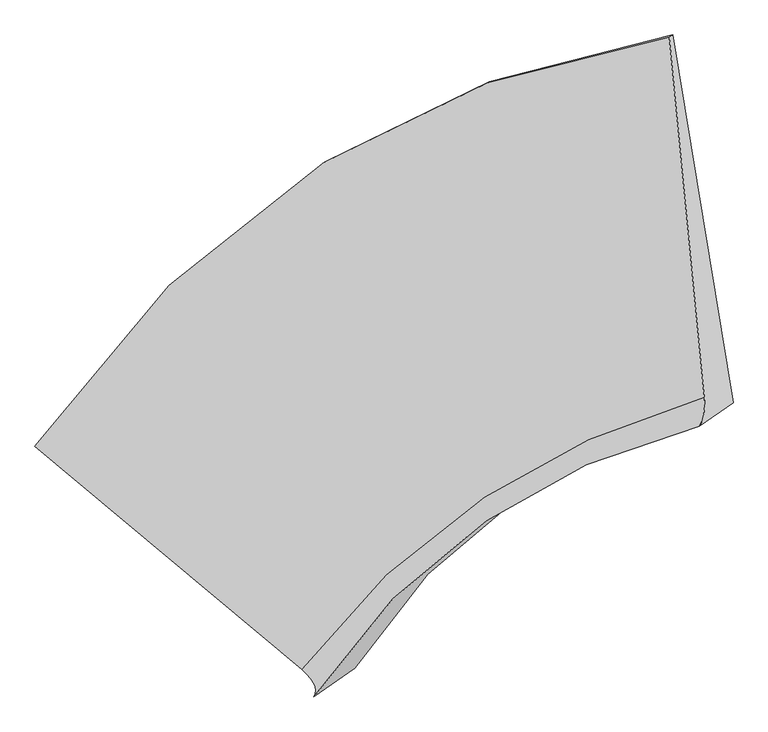
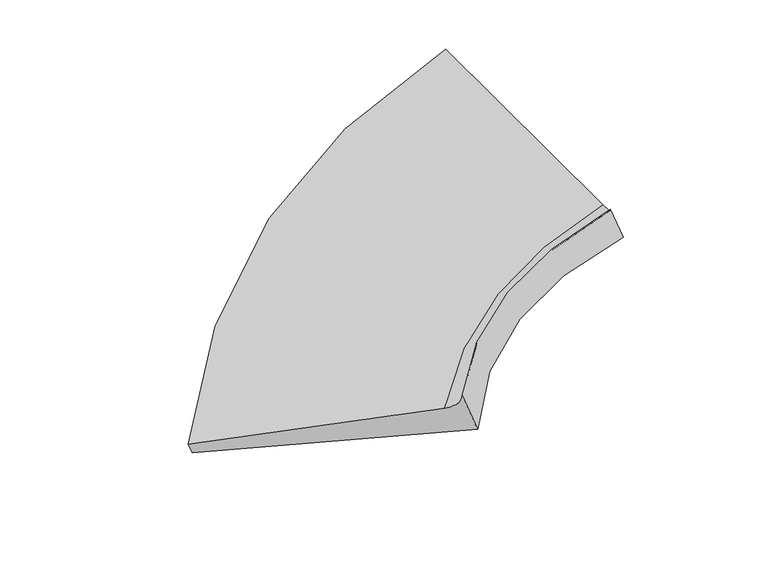
"""IFC4 building model written with IfcOpenShell, lengths in millimetres: proxy geometry."""

from ifc_helpers import new_model, si_unit, frame, origin, place, context, project, spatial, source, transform, mapped, element, save
from ifc_brep_helpers import plane_surface, spline_curve, spline_surface, advanced_brep


def generic_models_5c1c2733(model_context):
    return source(origin(), model_context, "Body", "AdvancedBrep", [
        advanced_brep(
        [(-3747.3534631, -5565.7198129, 373.3350264), (-3826.4876525, -5621.7019854, 542.9667), (1109.6427523, -2438.0860883, 1912.8610814), (1136.0611109, -2419.3968578, 1856.230813), (-1749.1842178, -7355.52343, 1328.7045182), (1381.8978493, -5239.1427178, 1536.6061228), (-1657.3402869, -7570.7815339, 1590.1046289), (1344.4607009, -5466.0013487, 1630.734743), (-1339.6127916, -7346.0104761, 909.0254749), (1605.9911269, -5280.9859775, 1070.1193605)],
        [
            (0, 1),
            (1, 2, spline_curve(3, [(-3826.4876525, -5621.7019854, 542.9667), (-3183.027875966, -4683.666159641, 807.447979474), (-2433.12323401, -3947.048016599, 1057.112044181), (-774.684581265, -2910.558683918, 1511.925284311), (120.787578075, -2585.971527726, 1718.892679905), (1109.6427523, -2438.0860883, 1912.8610814)], [4, 2, 4], [0.0, 10.415767035551042, 20.171566037220458])),
            (2, 3),
            (3, 0, spline_curve(3, [(1136.0611109, -2419.3968578, 1856.230813), (132.650491712, -2577.579306006, 1693.463393889), (-766.22726954, -2904.575698646, 1493.796230248), (-2408.653550948, -3929.737344158, 1004.658947784), (-3137.58064744, -4651.515270103, 710.02751572), (-3747.3534631, -5565.7198129, 373.3350264)], [4, 2, 4], [0.0, 9.755799001669416, 20.171566037220458])),
            (1, 4),
            (4, 5, spline_curve(3, [(-1749.1842178, -7355.52343, 1328.7045182), (-1345.856348551, -6822.402400616, 1389.326675087), (-872.513936052, -6376.46876171, 1437.123401151), (179.771571604, -5681.707290218, 1504.850127296), (750.123181756, -5422.180691684, 1526.353935921), (1381.8978493, -5239.1427178, 1536.6061228)], [4, 2, 4], [0.0, 8.440416271764274, 16.346027481836416])),
            (5, 2),
            (4, 6, spline_curve(3, [(-1749.1842178, -7355.52343, 1328.7045182), (-1734.897635336, -7368.335268165, 1335.559842154), (-1722.027204552, -7380.78118464, 1343.214066141), (-1699.118646448, -7404.94117396, 1360.120314259), (-1689.080519037, -7416.655246845, 1369.372338436), (-1671.836567763, -7439.351549155, 1389.474186764), (-1664.630743926, -7450.333778551, 1400.324010931), (-1653.051399474, -7471.566393849, 1423.621459469), (-1648.677878911, -7481.816779756, 1436.069083826), (-1642.763141289, -7501.585708044, 1462.562132574), (-1641.221924196, -7511.104250461, 1476.607556921), (-1640.971793404, -7529.409491739, 1506.296205879), (-1642.262879685, -7538.196190567, 1521.939430419), (-1647.677355715, -7555.037744833, 1554.823679581), (-1651.80074547, -7563.092600276, 1572.064704214), (-1657.3402869, -7570.7815339, 1590.1046289)], [4, 2, 2, 2, 2, 2, 2, 4], [0.0, 0.11124438263730636, 0.22248876527461273, 0.3337331479119191, 0.44497753054922545, 0.5562219131865318, 0.6674662958238381, 0.7787106784611444])),
            (6, 7, spline_curve(3, [(-1657.3402869, -7570.7815339, 1590.1046289), (-1284.477226323, -7011.761617094, 1589.048922212), (-837.35876812, -6554.33321376, 1592.149360455), (172.353441721, -5865.206114643, 1606.202732583), (725.835313119, -5621.041122934, 1616.645665671), (1344.4607009, -5466.0013487, 1630.734743)], [4, 2, 4], [0.0, 6.379470574186064, 12.35472255960369])),
            (7, 5, spline_curve(3, [(1344.4607009, -5466.0013487, 1630.734743), (1349.102734595, -5458.072820599, 1620.462402789), (1353.336295086, -5449.733683344, 1611.017208964), (1360.986469714, -5432.234190656, 1593.781114236), (1364.403083871, -5423.073835188, 1585.990213318), (1370.419365729, -5403.931906012, 1572.062704282), (1373.019033456, -5393.950332328, 1565.926096171), (1377.401422544, -5373.165966672, 1555.307172829), (1379.184143941, -5362.363174771, 1550.824857624), (1381.932640259, -5339.936372629, 1543.514519976), (1382.898415223, -5328.312362411, 1540.686497578), (1384.013018777, -5304.243123789, 1536.684745622), (1384.161847308, -5291.797895355, 1535.511016031), (1383.642558092, -5266.086220245, 1534.817849769), (1382.974440293, -5252.819773595, 1535.298413085), (1381.8978493, -5239.1427178, 1536.6061228)], [4, 2, 2, 2, 2, 2, 2, 4], [0.0, 0.1112443826373063, 0.2224887652746126, 0.33373314791191894, 0.4449775305492253, 0.5562219131865317, 0.667466295823838, 0.7787106784611444])),
            (6, 8),
            (8, 9, spline_curve(3, [(-1339.6127916, -7346.0104761, 909.0254749), (-1004.321878058, -6813.570353019, 988.5092451), (-580.369398252, -6372.530337542, 1041.268164179), (412.37823659, -5695.404546204, 1091.686719292), (970.293729457, -5448.103062415, 1092.625761904), (1605.9911269, -5280.9859775, 1070.1193605)], [4, 2, 4], [0.0, 6.292040782850502, 12.185402738650879])),
            (9, 7),
            (8, 0),
            (3, 9),
        ],
        [
            spline_surface(3, 3, [[(-3747.3534631, -5565.7198129, 373.3350264), (-3137.580647596, -4651.515269975, 710.027515854), (-2408.653550931, -3929.737344245, 1004.658947709), (-766.227269556, -2904.575698565, 1493.796230318), (132.650491789, -2577.579305907, 1693.463394013), (1136.0611109, -2419.3968578, 1856.230813)], [(-3773.731526227, -5584.380537065, 429.878917578), (-3152.729723729, -4662.232233146, 742.501003699), (-2416.810111932, -3935.507568322, 1022.143313237), (-769.046373542, -2906.57002702, 1499.839248269), (128.696187203, -2580.376713237, 1701.939822594), (1127.254991368, -2425.626601309, 1875.107569118)], [(-3800.109589373, -5603.041261235, 486.422808822), (-3167.878799882, -4672.949196324, 774.97449161), (-2424.966672841, -3941.277792453, 1039.627678783), (-771.865477436, -2908.564355528, 1505.882266238), (124.741882612, -2583.174120541, 1710.416251222), (1118.448871832, -2431.856344791, 1893.984325282)], [(-3826.4876525, -5621.7019854, 542.9667), (-3183.027876015, -4683.666159496, 807.447979455), (-2433.123233842, -3947.04801653, 1057.11204431), (-774.684581422, -2910.558683982, 1511.92528419), (120.787578026, -2585.971527871, 1718.892679804), (1109.6427523, -2438.0860883, 1912.8610814)]], [4, 4], [4, 2, 4], [0.0, 0.13790887469562643], [0.0, 10.415767035551042, 20.171566037220458]),
            spline_surface(3, 3, [[(-3826.4876525, -5621.7019854, 542.9667), (-3183.027876015, -4683.666159496, 807.447979455), (-2433.123233842, -3947.04801653, 1057.11204431), (-774.684581422, -2910.558683982, 1511.92528419), (120.787578026, -2585.971527871, 1718.892679804), (1109.6427523, -2438.0860883, 1912.8610814)], [(-3134.053174256, -6199.642466958, 804.879306082), (-2570.637366827, -5396.578239869, 1001.407544634), (-1912.9201346, -4756.854931639, 1183.782496596), (-456.532530378, -3834.274886076, 1509.566898551), (330.566112606, -3531.374582425, 1654.713098522), (1200.394451314, -3371.771631444, 1787.442761868)], [(-2441.618696044, -6777.582948442, 1066.791912118), (-1958.246857673, -6109.490320167, 1195.367109769), (-1392.717035382, -5566.661846653, 1310.452948885), (-138.380479358, -4757.991088076, 1507.208512917), (540.344647143, -4476.777637045, 1590.533517237), (1291.146150286, -4305.457174656, 1662.024442332)], [(-1749.1842178, -7355.52343, 1328.7045182), (-1345.856348485, -6822.40240054, 1389.326674949), (-872.51393614, -6376.468761761, 1437.12340117), (179.771571687, -5681.70729017, 1504.850127278), (750.123181723, -5422.180691599, 1526.353935955), (1381.8978493, -5239.1427178, 1536.6061228)]], [4, 4], [4, 2, 4], [0.0, 9.493321936562555], [0.0, 8.440416271764274, 16.346027481836416]),
            spline_surface(3, 3, [[(-1749.1842178, -7355.52343, 1328.7045182), (-1345.856348485, -6822.40240054, 1389.326674949), (-872.51393614, -6376.468761761, 1437.12340117), (179.771571687, -5681.70729017, 1504.850127278), (750.123181723, -5422.180691599, 1526.353935955), (1381.8978493, -5239.1427178, 1536.6061228)], [(-1734.897635335, -7368.335268167, 1335.559842154), (-1335.450942767, -6834.185604647, 1393.935331103), (-865.159671649, -6387.831372773, 1439.91998272), (182.824359356, -5693.432919773, 1504.979026542), (751.823780129, -5434.615320174, 1525.573898601), (1382.974440292, -5252.819773596, 1535.298413086)], [(-1722.027204552, -7380.781184639, 1343.214066141), (-1326.114478506, -6845.573651875, 1399.244262532), (-858.616865637, -6398.780715958, 1443.371651024), (185.390570964, -5704.731750814, 1505.778985171), (753.116212308, -5446.626365262, 1525.51952458), (1383.642558092, -5266.086220246, 1534.817849768)], [(-1699.118646448, -7404.941173961, 1360.120314259), (-1309.579432997, -6867.559432342, 1411.262676014), (-847.154170298, -6419.852866437, 1451.585160976), (189.549842332, -5726.475815538, 1508.721020997), (754.884744216, -5469.801288569, 1526.862103317), (1384.161847308, -5291.797895354, 1535.511016032)], [(-1689.080519038, -7416.655246845, 1369.372338437), (-1302.380851659, -6878.157165614, 1417.972158114), (-842.234280952, -6429.975673755, 1456.347002631), (191.142902111, -5736.921049243, 1510.863098198), (755.360843997, -5480.965166762, 1528.259056079), (1384.013018776, -5304.243123788, 1536.684745621)], [(-1671.836567762, -7439.351549155, 1389.474186763), (-1290.12157208, -6898.562318334, 1432.791672768), (-834.017419256, -6449.39475269, 1467.180859436), (193.355869508, -5756.957919485, 1516.489371321), (755.496711002, -5502.445756226, 1532.504288261), (1382.898415224, -5328.312362412, 1540.686497579)], [(-1664.630743924, -7450.33377855, 1400.324010932), (-1285.060873866, -6908.369737749, 1440.901705341), (-830.720446875, -6458.69102434, 1473.252874541), (193.975777158, -5766.549556055, 1519.973567196), (755.156478282, -5512.762467524, 1535.352567706), (1381.93264026, -5339.93637263, 1543.514519975)], [(-1653.051399476, -7471.56639385, 1423.621459468), (-1277.077360215, -6927.194262721, 1458.522321167), (-825.749418823, -6476.45703173, 1486.707078199), (194.242440584, -5784.879231814, 1528.284077616), (753.659680384, -5532.548723146, 1542.500453332), (1379.18414394, -5362.36317477, 1550.824857625)], [(-1648.677878911, -7481.816779756, 1436.069083827), (-1274.154544824, -6936.211368281, 1468.032904411), (-824.075363208, -6484.926767514, 1494.089266754), (193.889196304, -5793.617271048, 1533.110392164), (752.503115166, -5542.018267449, 1546.800059461), (1377.401422544, -5373.165966672, 1555.307172828)], [(-1642.763141289, -7501.585708044, 1462.562132573), (-1270.446797102, -6953.455265506, 1488.454621409), (-822.350168799, -6501.039703359, 1510.163817265), (192.209555759, -5810.239752325, 1544.105139882), (749.373652364, -5560.110189229, 1556.850598532), (1373.019033456, -5393.950332328, 1565.926096172)], [(-1641.221924197, -7511.104250462, 1476.607556922), (-1269.661864735, -6961.682057209, 1499.365755126), (-822.299029949, -6508.682903376, 1518.856179271), (190.88315955, -5818.124194323, 1550.273573103), (747.400754746, -5568.732566636, 1562.601531445), (1370.419365728, -5403.931906014, 1572.062704282)], [(-1640.971793403, -7529.409491738, 1506.296205878), (-1270.229882942, -6977.345326686, 1522.588573296), (-823.819669184, -6523.142767676, 1537.551076634), (187.257215035, -5833.039481117, 1563.952558118), (742.638627042, -5585.130154573, 1575.55472396), (1364.403083872, -5423.073835186, 1585.990213318)], [(-1642.262879683, -7538.196190568, 1521.939430418), (-1271.582833498, -6984.781804434, 1534.900257684), (-825.3914473, -6529.959431926, 1547.553611991), (184.957666697, -5840.07032588, 1571.463109912), (739.849396924, -5592.905365085, 1582.756983556), (1360.986469712, -5432.234190656, 1593.781114236)], [(-1647.677355717, -7555.037744832, 1554.823679582), (-1276.426617634, -6998.864446163, 1560.924177027), (-830.157920178, -6542.766224681, 1568.868856206), (179.38541821, -5853.278418192, 1587.826332224), (733.454604316, -5607.60861918, 1598.612829516), (1353.336295088, -5449.733683344, 1611.017208964)], [(-1651.80074547, -7563.092600274, 1572.064704213), (-1279.917451213, -7005.510610155, 1574.636411987), (-833.352614959, -6548.756353164, 1580.181565014), (176.112718043, -5859.455665719, 1596.679002691), (729.8490418, -5614.536662797, 1607.266415895), (1349.102734596, -5458.072820598, 1620.462402789)], [(-1657.3402869, -7570.7815339, 1590.1046289), (-1284.477226246, -7011.761617146, 1589.048922245), (-837.35876822, -6554.333213769, 1592.149360548), (172.353441814, -5865.206114634, 1606.202732496), (725.835313044, -5621.041122923, 1616.645665598), (1344.4607009, -5466.0013487, 1630.734743)]], [4, 2, 2, 2, 2, 2, 2, 4], [4, 2, 4], [0.0, 0.11124438263730636, 0.22248876527461273, 0.3337331479119191, 0.44497753054922545, 0.5562219131865318, 0.6674662958238381, 0.7787106784611444], [0.0, 6.379470574186064, 12.35472255960369]),
            spline_surface(3, 3, [[(-1657.3402869, -7570.7815339, 1590.1046289), (-1284.477226246, -7011.761617146, 1589.048922245), (-837.35876822, -6554.333213769, 1592.149360548), (172.353441814, -5865.206114634, 1606.202732496), (725.835313044, -5621.041122923, 1616.645665598), (1344.4607009, -5466.0013487, 1630.734743)], [(-1551.431121801, -7495.857847998, 1363.078244236), (-1191.092110214, -6945.697862466, 1388.869029842), (-751.69564487, -6493.732255002, 1408.522295083), (252.361706754, -5808.605591853, 1434.697394733), (807.321451856, -5563.395102732, 1441.972364403), (1431.637509569, -5404.329558307, 1443.862948854)], [(-1445.521956699, -7420.934162002, 1136.051859564), (-1097.706994181, -6879.634107693, 1188.689137432), (-666.032521583, -6433.131296227, 1224.895229675), (332.369971633, -5752.005069063, 1263.192057026), (888.807590661, -5505.749082519, 1267.299063146), (1518.814318231, -5342.657767893, 1256.991154646)], [(-1339.6127916, -7346.0104761, 909.0254749), (-1004.32187815, -6813.570353013, 988.50924503), (-580.369398233, -6372.53033746, 1041.268164209), (412.378236573, -5695.404546282, 1091.686719263), (970.293729473, -5448.103062328, 1092.625761952), (1605.9911269, -5280.9859775, 1070.1193605)]], [4, 4], [4, 2, 4], [0.0, 2.017770182272772], [0.0, 6.292040782850502, 12.185402738650879]),
            spline_surface(3, 3, [[(-1339.6127916, -7346.0104761, 909.0254749), (-1004.32187815, -6813.570353013, 988.50924503), (-580.369398233, -6372.53033746, 1041.268164209), (412.378236573, -5695.404546282, 1091.686719263), (970.293729473, -5448.103062328, 1092.625761952), (1605.9911269, -5280.9859775, 1070.1193605)], [(-2142.19301544, -6752.580255003, 730.461992062), (-1715.408134639, -6092.885325304, 895.682001967), (-1189.79744913, -5558.26600638, 1029.065092067), (19.509734532, -4765.128263701, 1225.723222972), (691.079316892, -4491.261810182, 1292.904972627), (1449.347788214, -4327.122937594, 1332.156511321)], [(-2944.77323926, -6159.150033997, 551.898509238), (-2426.494391108, -5372.200297684, 802.854758918), (-1799.225500034, -4744.001675325, 1016.862019852), (-373.358767516, -3834.851981145, 1359.759726608), (411.86490437, -3534.420558053, 1493.184183338), (1292.704449586, -3373.259897706, 1594.193662179)], [(-3747.3534631, -5565.7198129, 373.3350264), (-3137.580647596, -4651.515269975, 710.027515854), (-2408.653550931, -3929.737344245, 1004.658947709), (-766.227269556, -2904.575698565, 1493.796230318), (132.650491789, -2577.579305907, 1693.463394013), (1136.0611109, -2419.3968578, 1856.230813)]], [4, 4], [4, 2, 4], [0.0, 9.918464376303326], [0.0, 8.265062612143542, 16.00643099193463]),
            plane_surface(frame((1315.6107081, -4168.722598, 1601.3104241), z_axis=(0.9020281979285989, 0.02982778657228552, 0.4306453683599569), x_axis=(-0.4050388297847223, -0.2865380161628616, 0.8682393170434489))),
            plane_surface(frame((-2463.9956824, -6691.9474476, 948.8272697), z_axis=(-0.45767059064528315, -0.7585434648593461, -0.4638420446418973), x_axis=(0.7915056391618718, -0.5852416400194345, 0.17609953424787844))),
        ],
        [
            (0, [[1, 2, 3, 4]]),
            (1, [[5, 6, 7, -2]]),
            (2, [[8, 9, 10, -6]]),
            (3, [[11, 12, 13, -9]]),
            (4, [[14, -4, 15, -12]]),
            (5, [[-3, -7, -10, -13, -15]]),
            (6, [[-14, -11, -8, -5, -1]]),
        ],
    ),
    ])


if __name__ == "__main__":
    model = new_model("IFC4")
    model_context = context("Model", 3, world=origin())
    ifc_project = project(units=[si_unit("LENGTHUNIT", "METRE", prefix="MILLI")], contexts=[model_context])
    site = spatial("IfcSite", under=ifc_project)
    building = spatial("IfcBuilding", under=site)
    placement = place(None, origin())
    generic_models_shape = generic_models_5c1c2733(model_context)
    element("IfcBuildingElementProxy", 1, Name="Generic Models", at=placement, inside=building, context=model_context, shape_type="MappedRepresentation", body=[
        mapped(generic_models_shape, transform((0.0, 0.0, 0.0), x_axis=(1.0, 0.0, 0.0), y_axis=(0.0, 1.0, 0.0), z_axis=(0.0, 0.0, 1.0))),
    ])
    save(model, "model.ifc")
